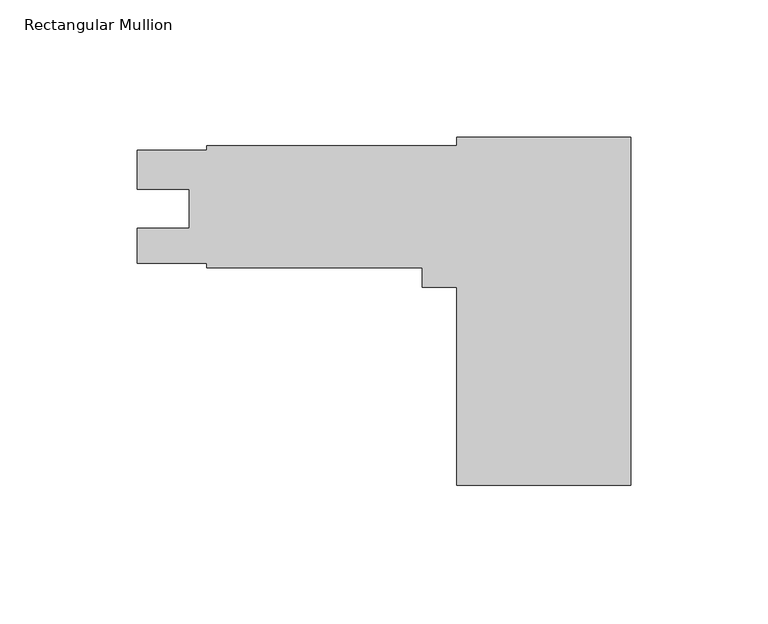
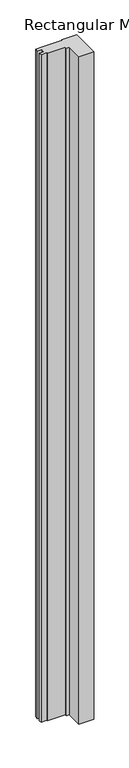
"""IFC4 building model written with IfcOpenShell, lengths in millimetres: member geometry, Rectangular Mullion."""

from ifc_helpers import new_model, si_unit, frame, origin, place, context, project, spatial, polyline, outline, extrude, source, transform, mapped, element, save


def rectangular_mullion_c3517750(model_context):
    return source(origin(), model_context, "Body", "SweptSolid", [
        extrude(outline(polyline([(-63.5, 46.83125), (0.0, 46.83125), (0.0, -80.16875), (-63.5, -80.16875), (-63.5, -7.956423), (-76.2, -7.956423), (-76.2, -0.79375), (-154.78125, -0.79375), (-154.78125, 0.80645), (-180.18125, 0.80645), (-180.18125, 13.51915), (-161.1439509, 13.51915), (-161.1439509, 27.80665), (-180.18125, 27.80665), (-180.18125, 42.0687337), (-154.78125, 42.0687337), (-154.78125, 43.65625), (-63.5, 43.65625), (-63.5, 46.83125)])), frame((0.0, 0.0, -3048.0), z_axis=(0.0, 0.0, 1.0), x_axis=(1.0, 0.0, 0.0)), (0.0, 0.0, 1.0), 3048.0),
    ])


if __name__ == "__main__":
    model = new_model("IFC4")
    model_context = context("Model", 3, world=origin())
    ifc_project = project(units=[si_unit("LENGTHUNIT", "METRE", prefix="MILLI")], contexts=[model_context])
    site = spatial("IfcSite", under=ifc_project)
    building = spatial("IfcBuilding", under=site)
    placement = place(None, origin())
    rectangular_mullion_shape = rectangular_mullion_c3517750(model_context)
    element("IfcMember", 1, ObjectType="Rectangular Mullion", at=placement, inside=building, context=model_context, shape_type="MappedRepresentation", body=[
        mapped(rectangular_mullion_shape, transform((0.0, 0.0, 0.0), x_axis=(1.0, 0.0, 0.0), y_axis=(0.0, 1.0, 0.0), z_axis=(0.0, 0.0, 1.0))),
    ])
    save(model, "model.ifc")
